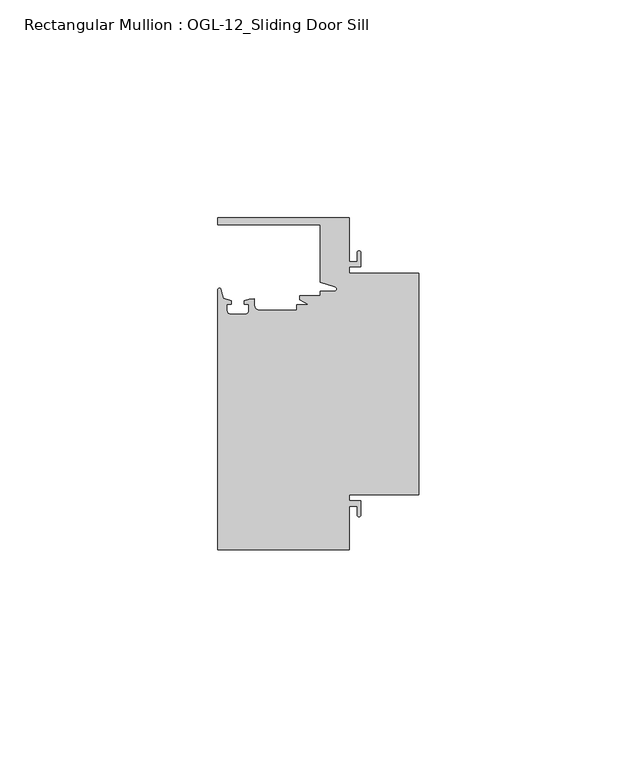
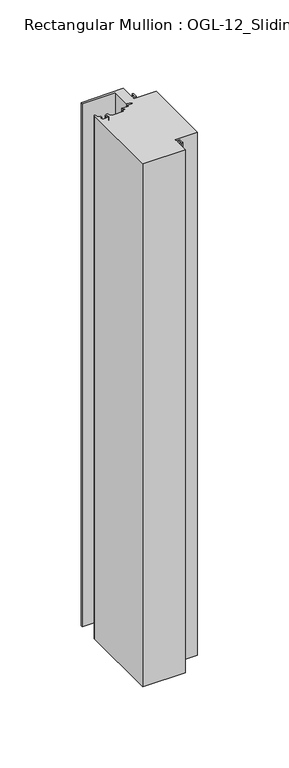
"""IFC4 building model written with IfcOpenShell, lengths in millimetres: member geometry, Rectangular Mullion : OGL-12_Sliding Door Sill."""

from ifc_helpers import new_model, si_unit, point, frame, frame_2d, origin, place, context, project, spatial, polyline, circle_curve, trimmed, segment, composite_curve, outline, extrude, source, transform, mapped, element, save


def rectangular_mullion_ogl_12_sliding_door_sill_640aba05(model_context):
    return source(origin(), model_context, "Body", "SweptSolid", [
        extrude(outline(composite_curve([segment(polyline([(0.0, 25.4), (0.0, -25.4), (-15.934238, -25.4), (-15.934238, -26.8479425), (-13.2417195, -26.8479425), (-13.2417195, -30.0428503)]), True, "CONTINUOUS"), segment(trimmed(circle_curve(frame_2d((-13.6974747, -30.0428503)), 0.4557552), [point((-13.2417195, -30.0428503))], [point((-14.15323, -30.0428503))], False, "CARTESIAN"), True, "CONTINUOUS"), segment(polyline([(-14.15323, -30.0428503), (-14.15323, -28.0544425), (-15.934238, -28.0544425), (-15.934238, -38.1003208), (-46.0931306, -38.1003208), (-46.0931306, 21.6259141)]), True, "CONTINUOUS"), segment(trimmed(circle_curve(frame_2d((-45.7573546, 21.6259141)), 0.335776), [point((-46.0931306, 21.6259141))], [point((-45.434586, 21.7184665))], False, "CARTESIAN"), True, "CONTINUOUS"), segment(polyline([(-45.434586, 21.7184665), (-44.83413, 19.6244274), (-43.0244711, 19.0364336), (-43.0244711, 18.2246744), (-44.0028338, 18.2246744), (-44.0028338, 16.7746773)]), True, "CONTINUOUS"), segment(trimmed(circle_curve(frame_2d((-43.2028354, 16.7746773)), 0.7999984), [point((-44.0028338, 16.7746773))], [point((-43.2028354, 15.9746789))], True, "CARTESIAN"), True, "CONTINUOUS"), segment(polyline([(-43.2028354, 15.9746789), (-39.8028422, 15.9746789)]), True, "CONTINUOUS"), segment(trimmed(circle_curve(frame_2d((-39.8028422, 16.7746773)), 0.7999984), [point((-39.8028422, 15.9746789))], [point((-39.0028438, 16.7746773))], True, "CARTESIAN"), True, "CONTINUOUS"), segment(polyline([(-39.0028438, 16.7746773), (-39.0028438, 18.2246744), (-39.9812066, 18.2246744), (-39.9812066, 19.0676205), (-38.8813571, 19.4491353), (-37.7528423, 19.4819389), (-37.7528423, 18.2799969)]), True, "CONTINUOUS"), segment(trimmed(circle_curve(frame_2d((-36.3386331, 18.2778896)), 1.4142107), [point((-37.7528423, 18.2799969))], [point((-36.3386331, 16.8636789))], True, "CARTESIAN"), True, "CONTINUOUS"), segment(polyline([(-36.3386331, 16.8636789), (-27.9268052, 16.8636789), (-27.9268052, 18.1505375), (-25.1995125, 18.1505375), (-27.2970068, 19.265795), (-27.2970068, 20.2164975), (-22.6027094, 20.2164975), (-22.6027094, 21.2536528), (-19.3562398, 21.2536528)]), True, "CONTINUOUS"), segment(trimmed(circle_curve(frame_2d((-19.3562398, 21.789076)), 0.5354233), [point((-19.3562398, 21.2536528))], [point((-19.2086572, 22.3037579))], True, "CARTESIAN"), True, "CONTINUOUS"), segment(polyline([(-19.2086572, 22.3037579), (-22.6260049, 23.2836666), (-22.6260049, 36.5121792), (-46.0931306, 36.5121792), (-46.0931306, 38.0996792), (-15.934238, 38.0996792), (-15.934238, 28.0538009), (-14.15323, 28.0538009), (-14.15323, 30.0428503)]), True, "CONTINUOUS"), segment(trimmed(circle_curve(frame_2d((-13.6974747, 30.0428503)), 0.4557552), [point((-14.15323, 30.0428503))], [point((-13.2417195, 30.0428503))], False, "CARTESIAN"), True, "CONTINUOUS"), segment(polyline([(-13.2417195, 30.0428503), (-13.2417195, 26.8473009), (-15.934238, 26.8473009), (-15.934238, 25.4), (0.0, 25.4)]), True, "CONTINUOUS")], self_intersect=False)), frame((0.0, 0.0, -393.7), z_axis=(0.0, 0.0, 1.0), x_axis=(1.0, 0.0, 0.0)), (0.0, 0.0, 1.0), 393.7),
    ])


if __name__ == "__main__":
    model = new_model("IFC4")
    model_context = context("Model", 3, world=origin())
    ifc_project = project(units=[si_unit("LENGTHUNIT", "METRE", prefix="MILLI")], contexts=[model_context])
    site = spatial("IfcSite", under=ifc_project)
    building = spatial("IfcBuilding", under=site)
    placement = place(None, origin())
    rectangular_mullion_ogl_12_sliding_door_sill_shape = rectangular_mullion_ogl_12_sliding_door_sill_640aba05(model_context)
    element("IfcMember", 1, ObjectType="Rectangular Mullion : OGL-12_Sliding Door Sill", at=placement, inside=building, context=model_context, shape_type="MappedRepresentation", body=[
        mapped(rectangular_mullion_ogl_12_sliding_door_sill_shape, transform((0.0, 0.0, 0.0), x_axis=(1.0, 0.0, 0.0), y_axis=(0.0, 1.0, 0.0), z_axis=(0.0, 0.0, 1.0))),
    ])
    save(model, "model.ifc")
